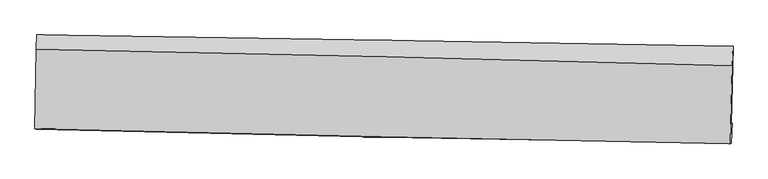
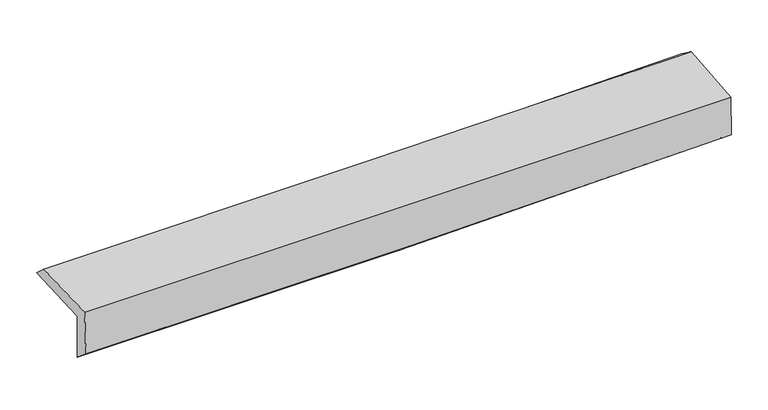
"""IFC4 building model written with IfcOpenShell, lengths in millimetres: proxy geometry."""

from ifc_helpers import new_model, si_unit, frame, origin, place, context, project, spatial, source, transform, mapped, element, save
from ifc_brep_helpers import plane_surface, spline_curve, spline_surface, advanced_brep


def generic_models_6d02f1cf(model_context):
    return source(origin(), model_context, "Body", "AdvancedBrep", [
        advanced_brep(
        [(-2967.1550865, -1755.123247, 1976.7834056), (-2954.9805711, -1088.5309411, 1991.9623725), (2958.0717211, -1185.0377635, 2125.5209535), (2941.0862037, -1843.9631531, 2105.869972), (-2956.5761152, -1740.1149797, 1562.0897314), (2951.1005219, -1840.4282153, 1701.7868084), (-2962.6322105, -1890.1536165, 1692.2200506), (2943.3765824, -2008.3658731, 1835.0588428), (-2972.5761887, -1884.4343732, 2097.0578233), (2934.0963834, -2011.6416754, 2209.5199008), (-2960.0436016, -1209.3708024, 2104.2394635), (2950.5402665, -1352.3879557, 2251.5870899)],
        [
            (0, 1),
            (1, 2, spline_curve(3, [(-2954.9805711, -1088.5309411, 1991.9623725), (-1968.698107137, -1102.760728449, 1999.498602417), (-982.557922122, -1117.922313061, 2014.405783767), (988.459226437, -1150.093102472, 2058.939935623), (1973.336472258, -1167.100458737, 2088.552281466), (2958.0717211, -1185.0377635, 2125.5209535)], [4, 2, 4], [0.0, 9.704757286051011, 19.39988200636055])),
            (2, 3),
            (3, 0, spline_curve(3, [(2941.0862037, -1843.9631531, 2105.869972), (1957.21424819, -1836.559494052, 2063.055796442), (973.169382208, -1825.459851267, 2030.891545623), (-996.244037599, -1795.853896976, 1987.841517074), (-1981.612935066, -1777.340238191, 1976.976912637), (-2967.1550865, -1755.123247, 1976.7834056)], [4, 2, 4], [0.0, 9.695124720309538, 19.39988200636055])),
            (4, 0),
            (3, 5),
            (5, 4, spline_curve(3, [(2951.1005219, -1840.4282153, 1701.7868084), (1967.567083385, -1819.565130125, 1658.398796215), (983.738567784, -1800.777270822, 1625.064153182), (-985.486390999, -1767.335399986, 1578.478473769), (-1970.883421374, -1752.685513747, 1565.247424743), (-2956.5761152, -1740.1149797, 1562.0897314)], [4, 2, 4], [0.0, 9.691006130702712, 19.391640735132995])),
            (6, 4),
            (5, 7),
            (7, 6, spline_curve(3, [(2943.3765824, -2008.3658731, 1835.0588428), (1959.745147489, -1994.096424275, 1799.690616733), (976.006458204, -1977.116915951, 1770.106308057), (-992.662925961, -1937.718218531, 1722.481878126), (-1977.593834415, -1915.293641087, 1704.453256336), (-2962.6322105, -1890.1536165, 1692.2200506)], [4, 2, 4], [0.0, 9.68963045589284, 19.38888801871515])),
            (8, 6),
            (7, 9),
            (9, 8, spline_curve(3, [(2934.0963834, -2011.6416754, 2209.5199008), (1950.095194109, -1992.826370424, 2192.884482572), (966.116275875, -1972.823962551, 2175.200108092), (-1002.774626022, -1930.423888667, 2137.714834056), (-1987.68656496, -1908.023862482, 2117.911849546), (-2972.5761887, -1884.4343732, 2097.0578233)], [4, 2, 4], [0.0, 9.6884745369583, 19.386575032385846])),
            (10, 8),
            (9, 11),
            (11, 10, spline_curve(3, [(2950.5402665, -1352.3879557, 2251.5870899), (1966.210950546, -1324.882163648, 2217.560427808), (981.742269616, -1299.216174886, 2188.271870942), (-988.452075958, -1251.54013307, 2139.146575621), (-1974.178017886, -1229.5337369, 2119.319257132), (-2960.0436016, -1209.3708024, 2104.2394635)], [4, 2, 4], [0.0, 9.69271269670121, 19.395055562684167])),
            (1, 10),
            (11, 2),
        ],
        [
            spline_surface(3, 3, [[(-2967.1550865, -1755.123247, 1976.7834056), (-1981.612934907, -1777.340238031, 1976.976912657), (-996.244037515, -1795.853897063, 1987.841517166), (973.169382125, -1825.459851181, 2030.891545532), (1957.214248133, -1836.559494176, 2063.055796535), (2941.0862037, -1843.9631531, 2105.869972)], [(-2963.096914707, -1532.925811724, 1981.843061218), (-1977.307992291, -1552.480401513, 1984.484142615), (-991.681999063, -1569.876702341, 1996.696272671), (978.265996844, -1600.337601623, 2040.241008914), (1962.588322798, -1613.406482408, 2071.554624893), (2946.748042837, -1624.321356584, 2112.42029919)], [(-2959.038742893, -1310.728376376, 1986.902716882), (-1973.003049655, -1327.620564923, 1991.99137262), (-987.119960516, -1343.899507684, 2005.551028192), (983.362611659, -1375.215352129, 2049.59047231), (1967.962397452, -1390.25347059, 2080.053453181), (2952.409881963, -1404.679560016, 2118.97062631)], [(-2954.9805711, -1088.5309411, 1991.9623725), (-1968.698107039, -1102.760728406, 1999.498602577), (-982.557922064, -1117.922312962, 2014.405783697), (988.459226378, -1150.093102572, 2058.939935693), (1973.336472117, -1167.100458823, 2088.55228154), (2958.0717211, -1185.0377635, 2125.5209535)]], [4, 4], [4, 2, 4], [0.0, 2.2222969176817804], [0.0, 9.704757286051011, 19.39988200636055]),
            spline_surface(3, 3, [[(-2956.5761152, -1740.1149797, 1562.0897314), (-1970.883421218, -1752.685513893, 1565.247424684), (-985.486391141, -1767.335399954, 1578.478473838), (983.738567926, -1800.777270853, 1625.064153113), (1967.56708354, -1819.565130033, 1658.398796251), (2951.1005219, -1840.4282153, 1701.7868084)], [(-2960.102438973, -1745.117735439, 1700.320956152), (-1974.459925788, -1760.903755244, 1702.49058736), (-989.072273262, -1776.841565661, 1714.932821606), (980.215505995, -1809.004797632, 1760.339950577), (1964.116138393, -1825.229918076, 1793.284462988), (2947.762415823, -1841.606527896, 1836.481196242)], [(-2963.628762727, -1750.120491261, 1838.552180848), (-1978.036430338, -1769.12199668, 1839.733749981), (-992.658155394, -1786.347731357, 1851.387169399), (976.692444055, -1817.232324401, 1895.615748067), (1960.665193279, -1830.894706132, 1928.170129798), (2944.424309777, -1842.784840504, 1971.175584158)], [(-2967.1550865, -1755.123247, 1976.7834056), (-1981.612934907, -1777.340238031, 1976.976912657), (-996.244037515, -1795.853897063, 1987.841517166), (973.169382125, -1825.459851181, 2030.891545532), (1957.214248133, -1836.559494176, 2063.055796535), (2941.0862037, -1843.9631531, 2105.869972)]], [4, 4], [4, 2, 4], [0.0, 1.340562154452791], [0.0, 9.700634604430283, 19.391640735132995]),
            spline_surface(3, 3, [[(-2962.6322105, -1890.1536165, 1692.2200506), (-1977.593834575, -1915.293641044, 1704.453256259), (-992.662926086, -1937.718218393, 1722.48187828), (976.006458329, -1977.116916089, 1770.106307904), (1959.745147449, -1994.096424307, 1799.690616638), (2943.3765824, -2008.3658731, 1835.0588428)], [(-2960.613512062, -1840.140737571, 1648.843277512), (-1975.357030118, -1861.090931998, 1658.051312379), (-990.270747744, -1880.923945578, 1674.480743494), (978.583828222, -1918.337034342, 1721.758923002), (1962.352459475, -1935.919326217, 1752.593343185), (2945.951228896, -1952.386653834, 1790.634831343)], [(-2958.594813638, -1790.127858629, 1605.466504488), (-1973.120225675, -1806.888222938, 1611.649368563), (-987.878569483, -1824.129672769, 1626.479608624), (981.161198034, -1859.5571526, 1673.411538015), (1964.959771513, -1877.742228123, 1705.496069704), (2948.525875404, -1896.407434566, 1746.210819857)], [(-2956.5761152, -1740.1149797, 1562.0897314), (-1970.883421218, -1752.685513893, 1565.247424684), (-985.486391141, -1767.335399954, 1578.478473838), (983.738567926, -1800.777270853, 1625.064153113), (1967.56708354, -1819.565130033, 1658.398796251), (2951.1005219, -1840.4282153, 1701.7868084)]], [4, 4], [4, 2, 4], [0.0, 0.7408840899613856], [0.0, 9.69925756282231, 19.38888801871515]),
            spline_surface(3, 3, [[(-2972.5761887, -1884.4343732, 2097.0578233), (-1987.686565057, -1908.023862364, 2117.911849527), (-1002.774625882, -1930.423888609, 2137.714834194), (966.116275736, -1972.823962608, 2175.200107955), (1950.095193978, -1992.82637045, 2192.884482444), (2934.0963834, -2011.6416754, 2209.5199008)], [(-2969.261529313, -1886.340787651, 1962.111899079), (-1984.322321577, -1910.447121941, 1980.09231845), (-999.404059288, -1932.855331869, 1999.303848874), (969.413003263, -1974.2549471, 2040.168841256), (1953.311845159, -1993.249721746, 2061.819860505), (2937.189783091, -2010.54974131, 2084.69954813)], [(-2965.946869887, -1888.247202049, 1827.165974821), (-1980.958078056, -1912.870381467, 1842.272787336), (-996.033492681, -1935.286775133, 1860.892863599), (972.709730802, -1975.685931597, 1905.137574602), (1956.528496268, -1993.673073011, 1930.755238577), (2940.283182709, -2009.45780719, 1959.87919547)], [(-2962.6322105, -1890.1536165, 1692.2200506), (-1977.593834575, -1915.293641044, 1704.453256259), (-992.662926086, -1937.718218393, 1722.48187828), (976.006458329, -1977.116916089, 1770.106307904), (1959.745147449, -1994.096424307, 1799.690616638), (2943.3765824, -2008.3658731, 1835.0588428)]], [4, 4], [4, 2, 4], [0.0, 1.3462311040317105], [0.0, 9.698100495427546, 19.386575032385846]),
            spline_surface(3, 3, [[(-2960.0436016, -1209.3708024, 2104.2394635), (-1974.178017913, -1229.533736987, 2119.319257103), (-988.452075992, -1251.540132916, 2139.146575684), (981.742269651, -1299.216175041, 2188.27187088), (1966.210950407, -1324.882163523, 2217.560427789), (2950.5402665, -1352.3879557, 2251.5870899)], [(-2964.221130618, -1434.391992665, 2101.845583429), (-1978.680866946, -1455.697112111, 2118.85012124), (-993.2262593, -1477.834718153, 2138.669328506), (976.533605001, -1523.752104237, 2183.914616557), (1960.839031577, -1547.530232475, 2209.335112687), (2945.058972113, -1572.139195577, 2237.564693546)], [(-2968.398659682, -1659.413182935, 2099.451703371), (-1983.183716025, -1681.86048724, 2118.38098539), (-998.000442574, -1704.129303371, 2138.192081371), (971.324940386, -1748.288033412, 2179.557362277), (1955.467112809, -1770.178301497, 2201.109797547), (2939.577677787, -1791.890435523, 2223.542297154)], [(-2972.5761887, -1884.4343732, 2097.0578233), (-1987.686565057, -1908.023862364, 2117.911849527), (-1002.774625882, -1930.423888609, 2137.714834194), (966.116275736, -1972.823962608, 2175.200107955), (1950.095193978, -1992.82637045, 2192.884482444), (2934.0963834, -2011.6416754, 2209.5199008)]], [4, 4], [4, 2, 4], [0.0, 2.2193338346083826], [0.0, 9.702342865982956, 19.395055562684167]),
            spline_surface(3, 3, [[(-2954.9805711, -1088.5309411, 1991.9623725), (-1968.698107039, -1102.760728406, 1999.498602577), (-982.557922064, -1117.922312962, 2014.405783697), (988.459226378, -1150.093102572, 2058.939935693), (1973.336472117, -1167.100458823, 2088.55228154), (2958.0717211, -1185.0377635, 2125.5209535)], [(-2956.668247927, -1128.81089485, 2029.388069511), (-1970.52474399, -1145.018397917, 2039.438820763), (-984.522640023, -1162.461586294, 2055.986047707), (986.220240819, -1199.800793409, 2102.050580769), (1970.961298221, -1219.694360388, 2131.554996939), (2955.561236241, -1240.821160899, 2167.542998949)], [(-2958.355924773, -1169.09084865, 2066.813766489), (-1972.351380962, -1187.276067477, 2079.379038917), (-986.487358033, -1207.000859583, 2097.566311674), (983.981255209, -1249.508484204, 2145.161225803), (1968.586124303, -1272.288261957, 2174.55771239), (2953.050751359, -1296.604558301, 2209.565044451)], [(-2960.0436016, -1209.3708024, 2104.2394635), (-1974.178017913, -1229.533736987, 2119.319257103), (-988.452075992, -1251.540132916, 2139.146575684), (981.742269651, -1299.216175041, 2188.27187088), (1966.210950407, -1324.882163523, 2217.560427789), (2950.5402665, -1352.3879557, 2251.5870899)]], [4, 4], [4, 2, 4], [0.0, 0.6238846338761999], [0.0, 9.707599496704809, 19.405563606600065]),
            plane_surface(frame((2946.3786132, -1706.9707727, 2038.2239279), z_axis=(0.9993478807431561, -0.026492492010071287, 0.02453489599039209), x_axis=(0.02477426034468356, 0.008745025577127476, -0.9996548207016407))),
            plane_surface(frame((-2962.3272956, -1594.6213267, 1904.0588078), z_axis=(-0.9995148475787792, 0.018820053303131655, -0.024816830241534714), x_axis=(-0.018256034049025396, -0.9995742296958143, -0.02276129497239277))),
        ],
        [
            (0, [[1, 2, 3, 4]]),
            (1, [[5, -4, 6, 7]]),
            (2, [[8, -7, 9, 10]]),
            (3, [[11, -10, 12, 13]]),
            (4, [[14, -13, 15, 16]]),
            (5, [[17, -16, 18, -2]]),
            (6, [[-12, -9, -6, -3, -18, -15]]),
            (7, [[-1, -5, -8, -11, -14, -17]]),
        ],
    ),
    ])


if __name__ == "__main__":
    model = new_model("IFC4")
    model_context = context("Model", 3, world=origin())
    ifc_project = project(units=[si_unit("LENGTHUNIT", "METRE", prefix="MILLI")], contexts=[model_context])
    site = spatial("IfcSite", under=ifc_project)
    building = spatial("IfcBuilding", under=site)
    placement = place(None, origin())
    generic_models_shape = generic_models_6d02f1cf(model_context)
    element("IfcBuildingElementProxy", 1, Name="Generic Models", at=placement, inside=building, context=model_context, shape_type="MappedRepresentation", body=[
        mapped(generic_models_shape, transform((0.0, 0.0, 0.0), x_axis=(1.0, 0.0, 0.0), y_axis=(0.0, 1.0, 0.0), z_axis=(0.0, 0.0, 1.0))),
    ])
    save(model, "model.ifc")
